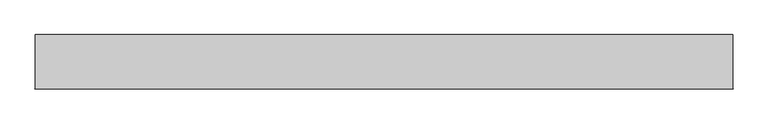
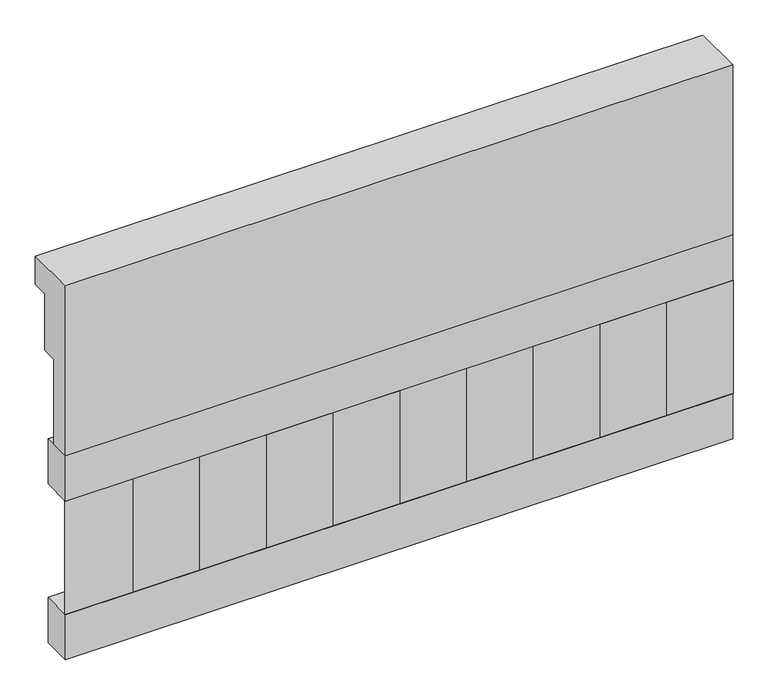
"""IFC4 building model written with IfcOpenShell, lengths in millimetres: railing geometry."""

from ifc_helpers import new_model, si_unit, frame, origin, place, context, project, spatial, polyline, outline, extrude, source, transform, mapped, element, save


def railing_e203351c(model_context):
    return source(origin(), model_context, "Body", "SweptSolid", [
        extrude(outline(polyline([(903.1079487, 25100.0), (1033.1079487, 25100.0), (1033.1079487, 25025.0), (993.1079487, 25025.0), (993.1079487, 24875.0), (953.1079487, 24875.0), (953.1079487, 24650.0), (903.1079487, 24650.0), (903.1079487, 25100.0)])), frame((15760.0112841, 0.0, 0.0), z_axis=(1.0, 0.0, 0.0), x_axis=(0.0, 1.0, 0.0)), (0.0, 0.0, 1.0), 1670.0),
        extrude(outline(polyline([(17430.0112841, 978.1079487), (17430.0112841, 903.1079487), (15760.0112841, 903.1079487), (15760.0112841, 978.1079487), (17430.0112841, 978.1079487)])), frame((0.0, 0.0, 24530.0), z_axis=(0.0, 0.0, 1.0), x_axis=(1.0, 0.0, 0.0)), (0.0, 0.0, 1.0), 120.0),
        extrude(outline(polyline([(17430.0112841, 978.1079487), (17430.0112841, 903.1079487), (15760.0112841, 903.1079487), (15760.0112841, 978.1079487), (17430.0112841, 978.1079487)])), frame((0.0, 0.0, 24110.0), z_axis=(0.0, 0.0, 1.0), x_axis=(1.0, 0.0, 0.0)), (0.0, 0.0, 1.0), 120.0),
        extrude(outline(polyline([(15843.5112841, 987.9607624), (15928.3640978, 903.1079487), (15758.6584704, 903.1079487), (15843.5112841, 987.9607624)])), frame((0.0, 0.0, 24230.0), z_axis=(0.0, 0.0, 1.0), x_axis=(1.0, 0.0, 0.0)), (0.0, 0.0, 1.0), 300.0),
        extrude(outline(polyline([(16010.5112841, 987.9607624), (16095.3640978, 903.1079487), (15925.6584704, 903.1079487), (16010.5112841, 987.9607624)])), frame((0.0, 0.0, 24230.0), z_axis=(0.0, 0.0, 1.0), x_axis=(1.0, 0.0, 0.0)), (0.0, 0.0, 1.0), 300.0),
        extrude(outline(polyline([(16177.5112841, 987.9607624), (16262.3640978, 903.1079487), (16092.6584704, 903.1079487), (16177.5112841, 987.9607624)])), frame((0.0, 0.0, 24230.0), z_axis=(0.0, 0.0, 1.0), x_axis=(1.0, 0.0, 0.0)), (0.0, 0.0, 1.0), 300.0),
        extrude(outline(polyline([(16344.5112841, 987.9607624), (16429.3640978, 903.1079487), (16259.6584704, 903.1079487), (16344.5112841, 987.9607624)])), frame((0.0, 0.0, 24230.0), z_axis=(0.0, 0.0, 1.0), x_axis=(1.0, 0.0, 0.0)), (0.0, 0.0, 1.0), 300.0),
        extrude(outline(polyline([(16511.5112841, 987.9607624), (16596.3640978, 903.1079487), (16426.6584704, 903.1079487), (16511.5112841, 987.9607624)])), frame((0.0, 0.0, 24230.0), z_axis=(0.0, 0.0, 1.0), x_axis=(1.0, 0.0, 0.0)), (0.0, 0.0, 1.0), 300.0),
        extrude(outline(polyline([(16678.5112841, 987.9607624), (16763.3640978, 903.1079487), (16593.6584704, 903.1079487), (16678.5112841, 987.9607624)])), frame((0.0, 0.0, 24230.0), z_axis=(0.0, 0.0, 1.0), x_axis=(1.0, 0.0, 0.0)), (0.0, 0.0, 1.0), 300.0),
        extrude(outline(polyline([(16845.5112841, 987.9607624), (16930.3640978, 903.1079487), (16760.6584704, 903.1079487), (16845.5112841, 987.9607624)])), frame((0.0, 0.0, 24230.0), z_axis=(0.0, 0.0, 1.0), x_axis=(1.0, 0.0, 0.0)), (0.0, 0.0, 1.0), 300.0),
        extrude(outline(polyline([(17012.5112841, 987.9607624), (17097.3640978, 903.1079487), (16927.6584704, 903.1079487), (17012.5112841, 987.9607624)])), frame((0.0, 0.0, 24230.0), z_axis=(0.0, 0.0, 1.0), x_axis=(1.0, 0.0, 0.0)), (0.0, 0.0, 1.0), 300.0),
        extrude(outline(polyline([(17179.5112841, 987.9607624), (17264.3640978, 903.1079487), (17094.6584704, 903.1079487), (17179.5112841, 987.9607624)])), frame((0.0, 0.0, 24230.0), z_axis=(0.0, 0.0, 1.0), x_axis=(1.0, 0.0, 0.0)), (0.0, 0.0, 1.0), 300.0),
        extrude(outline(polyline([(17346.5112841, 987.9607624), (17431.3640978, 903.1079487), (17261.6584704, 903.1079487), (17346.5112841, 987.9607624)])), frame((0.0, 0.0, 24230.0), z_axis=(0.0, 0.0, 1.0), x_axis=(1.0, 0.0, 0.0)), (0.0, 0.0, 1.0), 300.0),
    ])


if __name__ == "__main__":
    model = new_model("IFC4")
    model_context = context("Model", 3, world=origin())
    ifc_project = project(units=[si_unit("LENGTHUNIT", "METRE", prefix="MILLI")], contexts=[model_context])
    site = spatial("IfcSite", under=ifc_project)
    building = spatial("IfcBuilding", under=site)
    placement = place(None, origin())
    railing_shape = railing_e203351c(model_context)
    element("IfcRailing", 1, at=placement, inside=building, context=model_context, shape_type="MappedRepresentation", body=[
        mapped(railing_shape, transform((0.0, 0.0, 0.0), x_axis=(1.0, 0.0, 0.0), y_axis=(0.0, 1.0, 0.0), z_axis=(0.0, 0.0, 1.0))),
    ])
    save(model, "model.ifc")
